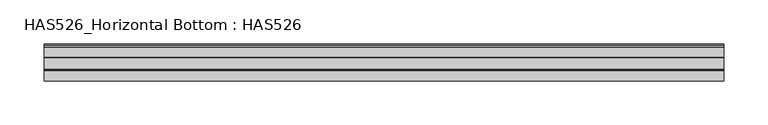
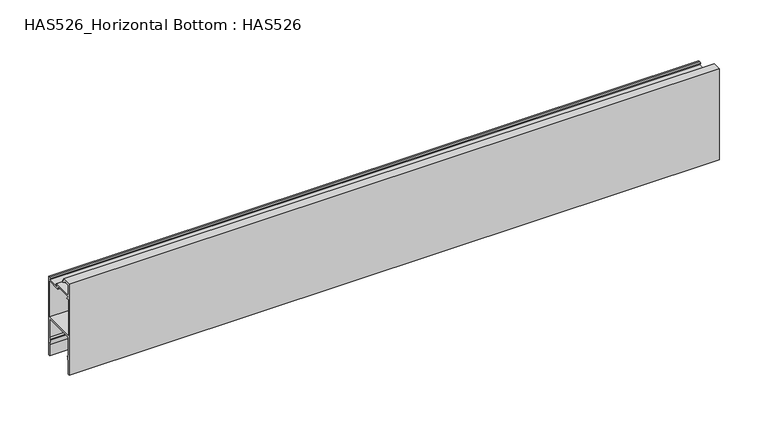
"""IFC4 building model written with IfcOpenShell, lengths in millimetres: beam geometry, HAS526_Horizontal Bottom : HAS526."""

from ifc_helpers import new_model, si_unit, point, frame, frame_2d, origin, place, context, project, spatial, polyline, circle_curve, trimmed, segment, composite_curve, outline, extrude, source, transform, mapped, element, save


def has526_horizontal_bottom_has526_7e6b7e77(model_context):
    return source(origin(), model_context, "Body", "SweptSolid", [
        extrude(outline(composite_curve([segment(polyline([(-18.8894472, 100.2512563), (-18.4673367, 99.1959799), (-17.4120603, 98.7738693), (4.974177, 98.7738693)]), True, "CONTINUOUS"), segment(trimmed(circle_curve(frame_2d((4.974177, 98.2300154)), 0.5438539), [point((4.974177, 98.7738693))], [point((5.106081, 97.7023996))], False, "CARTESIAN"), True, "CONTINUOUS"), segment(polyline([(5.106081, 97.7023996), (3.4824121, 97.2964824), (3.4824121, 95.3969849), (18.8291457, 95.3969849), (17.6231156, 97.5075377), (18.8894472, 98.7738693), (21.0, 98.7738693), (21.0, 0.0), (18.8894472, 0.0), (18.8894472, 13.718593), (17.6231156, 20.4723618), (18.8894472, 20.4723618), (18.8894472, 21.5276382), (17.6231156, 21.5276382), (18.8894472, 23.638191), (18.8894472, 45.1658291), (18.4673367, 46.2211055), (17.4120603, 46.6432161), (-17.4120603, 46.6432161), (-18.4673367, 46.2211055), (-18.8894472, 45.1658291), (-18.8894472, 23.638191), (-17.6231156, 21.5276382), (-18.8894472, 21.5276382), (-18.8894472, 20.4723618), (-17.8341709, 20.4723618), (-18.8894472, 13.718593), (-18.8894472, 0.0), (-21.0, 0.0), (-21.0, 114.0), (-10.0251256, 114.0), (-10.0251256, 111.678392), (-8.3366834, 111.678392), (-7.9236545, 109.6132475)]), True, "CONTINUOUS"), segment(trimmed(circle_curve(frame_2d((-8.2999492, 109.5379885)), 0.3837468), [point((-7.9236545, 109.6132475))], [point((-8.4213006, 109.1739344))], False, "CARTESIAN"), True, "CONTINUOUS"), segment(polyline([(-8.4213006, 109.1739344), (-12.7688442, 110.6231156), (-13.6130653, 112.1005025), (-17.4120603, 112.1005025), (-18.4673367, 111.678392), (-18.8894472, 110.6231156), (-18.8894472, 100.2512563)]), True, "CONTINUOUS")], self_intersect=False), holes=[polyline([(-18.8894472, 48.7537688), (18.8894472, 48.7537688), (18.8894472, 93.4974874), (2.8492462, 93.4974874), (1.7939698, 93.919598), (0.8492462, 96.281407), (-0.1055276, 96.6633166), (-18.6400183, 96.6633166), (-15.5701233, 93.2864322), (-18.8894472, 93.2864322), (-18.8894472, 48.7537688)])]), frame((-386.0, 0.0, 0.0), z_axis=(1.0, 0.0, 0.0), x_axis=(0.0, 1.0, 0.0)), (0.0, 0.0, 1.0), 772.0),
    ])


if __name__ == "__main__":
    model = new_model("IFC4")
    model_context = context("Model", 3, world=origin())
    ifc_project = project(units=[si_unit("LENGTHUNIT", "METRE", prefix="MILLI")], contexts=[model_context])
    site = spatial("IfcSite", under=ifc_project)
    building = spatial("IfcBuilding", under=site)
    placement = place(None, origin())
    has526_horizontal_bottom_has526_shape = has526_horizontal_bottom_has526_7e6b7e77(model_context)
    element("IfcBeam", 1, ObjectType="HAS526_Horizontal Bottom : HAS526", at=placement, inside=building, context=model_context, shape_type="MappedRepresentation", body=[
        mapped(has526_horizontal_bottom_has526_shape, transform((0.0, 0.0, 0.0), x_axis=(1.0, 0.0, 0.0), y_axis=(0.0, 1.0, 0.0), z_axis=(0.0, 0.0, 1.0))),
    ])
    save(model, "model.ifc")
